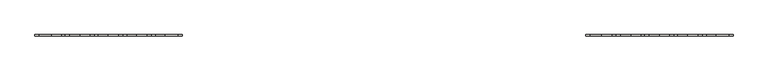
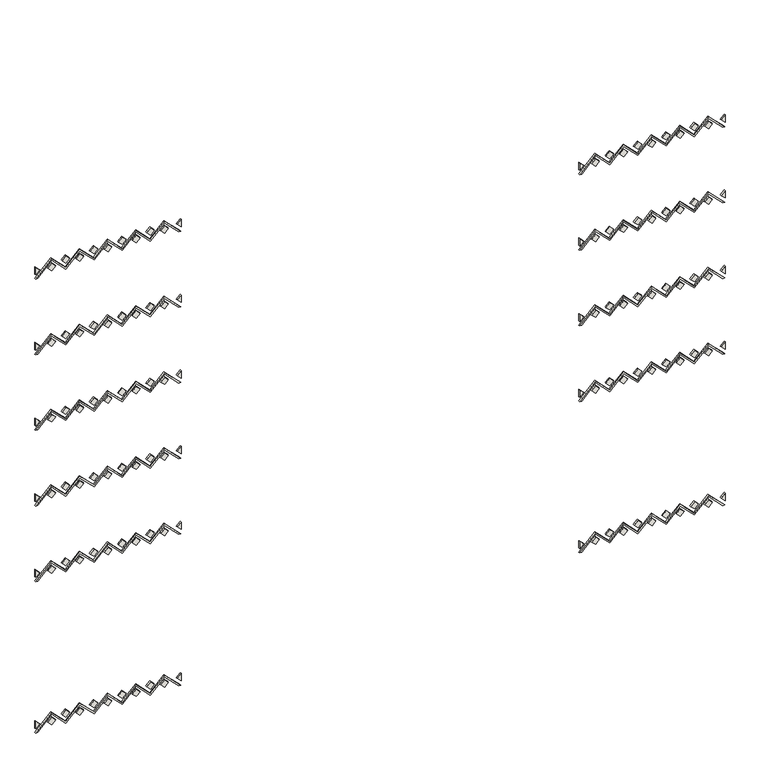
"""IFC4 building model written with IfcOpenShell, lengths in millimetres: wall geometry."""

from ifc_helpers import new_model, si_unit, frame, origin, place, context, project, spatial, polyline, outline, extrude, source, transform, mapped, element, save


def wall_353f4a0d(model_context):
    return source(origin(), model_context, "Body", "SweptSolid", [
        extrude(outline(polyline([(21070.7106781, -10729.2893219), (21600.0, -11258.5786438), (21070.7106781, -11787.8679656), (21600.0, -12317.1572875), (21000.0, -12917.1572875), (21000.0, -12846.4466094), (21529.2893219, -12317.1572875), (21000.0, -11787.8679656), (21529.2893219, -11258.5786438), (21000.0, -10729.2893219), (21529.2893219, -10200.0), (21000.0, -9670.7106781), (21529.2893219, -9141.4213562), (21000.0, -8612.1320344), (21529.2893219, -8082.8427125), (21000.0, -7553.5533906), (21000.0, -7482.8427125), (21600.0, -8082.8427125), (21070.7106781, -8612.1320344), (21600.0, -9141.4213562), (21070.7106781, -9670.7106781), (21600.0, -10200.0), (21070.7106781, -10729.2893219)])), frame((0.0, -13815.7022443, 0.0), z_axis=(0.0, 1.0, 0.0), x_axis=(0.0, 0.0, 1.0)), (0.0, 0.0, 1.0), 50.0),
        extrude(outline(polyline([(0.0, -205.0609665), (0.0, 0.0), (50.0, 0.0), (50.0, -205.0609665), (0.0, -205.0609665)])), frame((-10345.0, -13815.7022443, 21274.2893219), z_axis=(0.7071067811865581, 0.0, 0.707106781186537), x_axis=(0.0, 1.0, 0.0)), (0.0, 0.0, 1.0), 205.0609665),
        extrude(outline(polyline([(0.0, -205.0609665), (0.0, 0.0), (50.0, 0.0), (50.0, -205.0609665), (0.0, -205.0609665)])), frame((-9286.4213562, -13815.7022443, 21274.2893219), z_axis=(0.7071067811865581, 0.0, 0.707106781186537), x_axis=(0.0, 1.0, 0.0)), (0.0, 0.0, 1.0), 205.0609665),
        extrude(outline(polyline([(0.0, -205.0609665), (0.0, 0.0), (50.0, 0.0), (50.0, -205.0609665), (0.0, -205.0609665)])), frame((-8227.8427125, -13815.7022443, 21274.2893219), z_axis=(0.7071067811865581, 0.0, 0.707106781186537), x_axis=(0.0, 1.0, 0.0)), (0.0, 0.0, 1.0), 205.0609665),
        extrude(outline(polyline([(0.0, -205.0609665), (0.0, 0.0), (50.0, 0.0), (50.0, -205.0609665), (0.0, -205.0609665)])), frame((-11403.5786438, -13815.7022443, 21274.2893219), z_axis=(0.7071067811865581, 0.0, 0.707106781186537), x_axis=(0.0, 1.0, 0.0)), (0.0, 0.0, 1.0), 205.0609665),
        extrude(outline(polyline([(0.0, -205.0609665), (0.0, 0.0), (50.0, 0.0), (50.0, -205.0609665), (0.0, -205.0609665)])), frame((-12462.1572875, -13815.7022443, 21274.2893219), z_axis=(0.7071067811865528, 0.0, 0.7071067811865422), x_axis=(0.0, 1.0, 0.0)), (0.0, 0.0, 1.0), 205.0609665),
        extrude(outline(polyline([(0.0, -205.0609665), (0.0, 0.0), (50.0, 0.0), (50.0, -205.0609665), (0.0, -205.0609665)])), frame((-11929.9881598, -13815.7022443, 21384.2893219), z_axis=(0.7071067811865581, 0.0, 0.707106781186537), x_axis=(0.0, 1.0, 0.0)), (0.0, 0.0, 1.0), 205.0609665),
        extrude(outline(polyline([(0.0, -205.0609665), (0.0, 0.0), (50.0, 0.0), (50.0, -205.0609665), (0.0, -205.0609665)])), frame((-10871.409516, -13815.7022443, 21384.2893219), z_axis=(0.7071067811865581, 0.0, 0.707106781186537), x_axis=(0.0, 1.0, 0.0)), (0.0, 0.0, 1.0), 205.0609665),
        extrude(outline(polyline([(0.0, -205.0609665), (0.0, 0.0), (50.0, 0.0), (50.0, -205.0609665), (0.0, -205.0609665)])), frame((-9812.8308723, -13815.7022443, 21384.2893219), z_axis=(0.7071067811865502, 0.0, 0.7071067811865449), x_axis=(0.0, 1.0, 0.0)), (0.0, 0.0, 1.0), 205.0609665),
        extrude(outline(polyline([(0.0, -205.0609665), (0.0, 0.0), (50.0, 0.0), (50.0, -205.0609665), (0.0, -205.0609665)])), frame((-8754.2522285, -13815.7022443, 21384.2893219), z_axis=(0.7071067811865581, 0.0, 0.707106781186537), x_axis=(0.0, 1.0, 0.0)), (0.0, 0.0, 1.0), 205.0609665),
        extrude(outline(polyline([(21313.5786438, -7607.1201941), (21168.5786438, -7462.1201941), (21458.5786438, -7462.1201941), (21313.5786438, -7607.1201941)])), frame((0.0, -13815.7022443, 0.0), z_axis=(0.0, 1.0, 0.0), x_axis=(0.0, 0.0, 1.0)), (0.0, 0.0, 1.0), 50.0),
        extrude(outline(polyline([(21458.5786438, -12914.2774817), (21168.5786438, -12914.2774817), (21313.5786438, -12769.2774817), (21458.5786438, -12914.2774817)])), frame((0.0, -13815.7022443, 0.0), z_axis=(0.0, 1.0, 0.0), x_axis=(0.0, 0.0, 1.0)), (0.0, 0.0, 1.0), 50.0),
        extrude(outline(polyline([(18070.7106781, 9670.7106781), (18600.0, 9141.4213562), (18070.7106781, 8612.1320344), (18600.0, 8082.8427125), (18000.0, 7482.8427125), (18000.0, 7553.5533906), (18529.2893219, 8082.8427125), (18000.0, 8612.1320344), (18529.2893219, 9141.4213562), (18000.0, 9670.7106781), (18529.2893219, 10200.0), (18000.0, 10729.2893219), (18529.2893219, 11258.5786438), (18000.0, 11787.8679656), (18529.2893219, 12317.1572875), (18000.0, 12846.4466094), (18000.0, 12917.1572875), (18600.0, 12317.1572875), (18070.7106781, 11787.8679656), (18600.0, 11258.5786438), (18070.7106781, 10729.2893219), (18600.0, 10200.0), (18070.7106781, 9670.7106781)])), frame((0.0, -13815.7022443, 0.0), z_axis=(0.0, 1.0, 0.0), x_axis=(0.0, 0.0, 1.0)), (0.0, 0.0, 1.0), 50.0),
        extrude(outline(polyline([(0.0, -205.0609665), (0.0, 0.0), (50.0, 0.0), (50.0, -205.0609665), (0.0, -205.0609665)])), frame((10055.0, -13815.7022443, 18274.2893219), z_axis=(0.7071067811865581, 0.0, 0.707106781186537), x_axis=(0.0, 1.0, 0.0)), (0.0, 0.0, 1.0), 205.0609665),
        extrude(outline(polyline([(0.0, -205.0609665), (0.0, 0.0), (50.0, 0.0), (50.0, -205.0609665), (0.0, -205.0609665)])), frame((11113.5786438, -13815.7022443, 18274.2893219), z_axis=(0.7071067811865529, 0.0, 0.7071067811865422), x_axis=(0.0, 1.0, 0.0)), (0.0, 0.0, 1.0), 205.0609665),
        extrude(outline(polyline([(0.0, -205.0609665), (0.0, 0.0), (50.0, 0.0), (50.0, -205.0609665), (0.0, -205.0609665)])), frame((12172.1572875, -13815.7022443, 18274.2893219), z_axis=(0.7071067811865581, 0.0, 0.707106781186537), x_axis=(0.0, 1.0, 0.0)), (0.0, 0.0, 1.0), 205.0609665),
        extrude(outline(polyline([(0.0, -205.0609665), (0.0, 0.0), (50.0, 0.0), (50.0, -205.0609665), (0.0, -205.0609665)])), frame((8996.4213562, -13815.7022443, 18274.2893219), z_axis=(0.7071067811865581, 0.0, 0.707106781186537), x_axis=(0.0, 1.0, 0.0)), (0.0, 0.0, 1.0), 205.0609665),
        extrude(outline(polyline([(0.0, -205.0609665), (0.0, 0.0), (50.0, 0.0), (50.0, -205.0609665), (0.0, -205.0609665)])), frame((7937.8427125, -13815.7022443, 18274.2893219), z_axis=(0.7071067811865529, 0.0, 0.7071067811865422), x_axis=(0.0, 1.0, 0.0)), (0.0, 0.0, 1.0), 205.0609665),
        extrude(outline(polyline([(0.0, -205.0609665), (0.0, 0.0), (50.0, 0.0), (50.0, -205.0609665), (0.0, -205.0609665)])), frame((8470.0118402, -13815.7022443, 18384.2893219), z_axis=(0.7071067811865581, 0.0, 0.707106781186537), x_axis=(0.0, 1.0, 0.0)), (0.0, 0.0, 1.0), 205.0609665),
        extrude(outline(polyline([(0.0, -205.0609665), (0.0, 0.0), (50.0, 0.0), (50.0, -205.0609665), (0.0, -205.0609665)])), frame((9528.590484, -13815.7022443, 18384.2893219), z_axis=(0.7071067811865581, 0.0, 0.707106781186537), x_axis=(0.0, 1.0, 0.0)), (0.0, 0.0, 1.0), 205.0609665),
        extrude(outline(polyline([(0.0, -205.0609665), (0.0, 0.0), (50.0, 0.0), (50.0, -205.0609665), (0.0, -205.0609665)])), frame((10587.1691277, -13815.7022443, 18384.2893219), z_axis=(0.7071067811865529, 0.0, 0.7071067811865422), x_axis=(0.0, 1.0, 0.0)), (0.0, 0.0, 1.0), 205.0609665),
        extrude(outline(polyline([(0.0, -205.0609665), (0.0, 0.0), (50.0, 0.0), (50.0, -205.0609665), (0.0, -205.0609665)])), frame((11645.7477715, -13815.7022443, 18384.2893219), z_axis=(0.7071067811865581, 0.0, 0.707106781186537), x_axis=(0.0, 1.0, 0.0)), (0.0, 0.0, 1.0), 205.0609665),
        extrude(outline(polyline([(18313.5786438, 12792.8798059), (18168.5786438, 12937.8798059), (18458.5786438, 12937.8798059), (18313.5786438, 12792.8798059)])), frame((0.0, -13815.7022443, 0.0), z_axis=(0.0, 1.0, 0.0), x_axis=(0.0, 0.0, 1.0)), (0.0, 0.0, 1.0), 50.0),
        extrude(outline(polyline([(18458.5786438, 7485.7225183), (18168.5786438, 7485.7225183), (18313.5786438, 7630.7225183), (18458.5786438, 7485.7225183)])), frame((0.0, -13815.7022443, 0.0), z_axis=(0.0, 1.0, 0.0), x_axis=(0.0, 0.0, 1.0)), (0.0, 0.0, 1.0), 50.0),
        extrude(outline(polyline([(18070.7106781, -10729.2893219), (18600.0, -11258.5786438), (18070.7106781, -11787.8679656), (18600.0, -12317.1572875), (18000.0, -12917.1572875), (18000.0, -12846.4466094), (18529.2893219, -12317.1572875), (18000.0, -11787.8679656), (18529.2893219, -11258.5786438), (18000.0, -10729.2893219), (18529.2893219, -10200.0), (18000.0, -9670.7106781), (18529.2893219, -9141.4213562), (18000.0, -8612.1320344), (18529.2893219, -8082.8427125), (18000.0, -7553.5533906), (18000.0, -7482.8427125), (18600.0, -8082.8427125), (18070.7106781, -8612.1320344), (18600.0, -9141.4213562), (18070.7106781, -9670.7106781), (18600.0, -10200.0), (18070.7106781, -10729.2893219)])), frame((0.0, -13815.7022443, 0.0), z_axis=(0.0, 1.0, 0.0), x_axis=(0.0, 0.0, 1.0)), (0.0, 0.0, 1.0), 50.0),
        extrude(outline(polyline([(0.0, -205.0609665), (0.0, 0.0), (50.0, 0.0), (50.0, -205.0609665), (0.0, -205.0609665)])), frame((-10345.0, -13815.7022443, 18274.2893219), z_axis=(0.7071067811865529, 0.0, 0.7071067811865422), x_axis=(0.0, 1.0, 0.0)), (0.0, 0.0, 1.0), 205.0609665),
        extrude(outline(polyline([(0.0, -205.0609665), (0.0, 0.0), (50.0, 0.0), (50.0, -205.0609665), (0.0, -205.0609665)])), frame((-9286.4213562, -13815.7022443, 18274.2893219), z_axis=(0.7071067811865581, 0.0, 0.707106781186537), x_axis=(0.0, 1.0, 0.0)), (0.0, 0.0, 1.0), 205.0609665),
        extrude(outline(polyline([(0.0, -205.0609665), (0.0, 0.0), (50.0, 0.0), (50.0, -205.0609665), (0.0, -205.0609665)])), frame((-8227.8427125, -13815.7022443, 18274.2893219), z_axis=(0.7071067811865581, 0.0, 0.707106781186537), x_axis=(0.0, 1.0, 0.0)), (0.0, 0.0, 1.0), 205.0609665),
        extrude(outline(polyline([(0.0, -205.0609665), (0.0, 0.0), (50.0, 0.0), (50.0, -205.0609665), (0.0, -205.0609665)])), frame((-11403.5786438, -13815.7022443, 18274.2893219), z_axis=(0.7071067811865581, 0.0, 0.707106781186537), x_axis=(0.0, 1.0, 0.0)), (0.0, 0.0, 1.0), 205.0609665),
        extrude(outline(polyline([(0.0, -205.0609665), (0.0, 0.0), (50.0, 0.0), (50.0, -205.0609665), (0.0, -205.0609665)])), frame((-12462.1572875, -13815.7022443, 18274.2893219), z_axis=(0.7071067811865581, 0.0, 0.707106781186537), x_axis=(0.0, 1.0, 0.0)), (0.0, 0.0, 1.0), 205.0609665),
        extrude(outline(polyline([(0.0, -205.0609665), (0.0, 0.0), (50.0, 0.0), (50.0, -205.0609665), (0.0, -205.0609665)])), frame((-11929.9881598, -13815.7022443, 18384.2893219), z_axis=(0.7071067811865581, 0.0, 0.707106781186537), x_axis=(0.0, 1.0, 0.0)), (0.0, 0.0, 1.0), 205.0609665),
        extrude(outline(polyline([(0.0, -205.0609665), (0.0, 0.0), (50.0, 0.0), (50.0, -205.0609665), (0.0, -205.0609665)])), frame((-10871.409516, -13815.7022443, 18384.2893219), z_axis=(0.7071067811865529, 0.0, 0.7071067811865422), x_axis=(0.0, 1.0, 0.0)), (0.0, 0.0, 1.0), 205.0609665),
        extrude(outline(polyline([(0.0, -205.0609665), (0.0, 0.0), (50.0, 0.0), (50.0, -205.0609665), (0.0, -205.0609665)])), frame((-9812.8308723, -13815.7022443, 18384.2893219), z_axis=(0.7071067811865555, 0.0, 0.7071067811865397), x_axis=(0.0, 1.0, 0.0)), (0.0, 0.0, 1.0), 205.0609665),
        extrude(outline(polyline([(0.0, -205.0609665), (0.0, 0.0), (50.0, 0.0), (50.0, -205.0609665), (0.0, -205.0609665)])), frame((-8754.2522285, -13815.7022443, 18384.2893219), z_axis=(0.7071067811865581, 0.0, 0.707106781186537), x_axis=(0.0, 1.0, 0.0)), (0.0, 0.0, 1.0), 205.0609665),
        extrude(outline(polyline([(18313.5786438, -7607.1201941), (18168.5786438, -7462.1201941), (18458.5786438, -7462.1201941), (18313.5786438, -7607.1201941)])), frame((0.0, -13815.7022443, 0.0), z_axis=(0.0, 1.0, 0.0), x_axis=(0.0, 0.0, 1.0)), (0.0, 0.0, 1.0), 50.0),
        extrude(outline(polyline([(18458.5786438, -12914.2774817), (18168.5786438, -12914.2774817), (18313.5786438, -12769.2774817), (18458.5786438, -12914.2774817)])), frame((0.0, -13815.7022443, 0.0), z_axis=(0.0, 1.0, 0.0), x_axis=(0.0, 0.0, 1.0)), (0.0, 0.0, 1.0), 50.0),
        extrude(outline(polyline([(15070.7106781, 9670.7106781), (15600.0, 9141.4213562), (15070.7106781, 8612.1320344), (15600.0, 8082.8427125), (15000.0, 7482.8427125), (15000.0, 7553.5533906), (15529.2893219, 8082.8427125), (15000.0, 8612.1320344), (15529.2893219, 9141.4213562), (15000.0, 9670.7106781), (15529.2893219, 10200.0), (15000.0, 10729.2893219), (15529.2893219, 11258.5786438), (15000.0, 11787.8679656), (15529.2893219, 12317.1572875), (15000.0, 12846.4466094), (15000.0, 12917.1572875), (15600.0, 12317.1572875), (15070.7106781, 11787.8679656), (15600.0, 11258.5786438), (15070.7106781, 10729.2893219), (15600.0, 10200.0), (15070.7106781, 9670.7106781)])), frame((0.0, -13815.7022443, 0.0), z_axis=(0.0, 1.0, 0.0), x_axis=(0.0, 0.0, 1.0)), (0.0, 0.0, 1.0), 50.0),
        extrude(outline(polyline([(0.0, -205.0609665), (0.0, 0.0), (50.0, 0.0), (50.0, -205.0609665), (0.0, -205.0609665)])), frame((10055.0, -13815.7022443, 15274.2893219), z_axis=(0.7071067811865581, 0.0, 0.707106781186537), x_axis=(0.0, 1.0, 0.0)), (0.0, 0.0, 1.0), 205.0609665),
        extrude(outline(polyline([(0.0, -205.0609665), (0.0, 0.0), (50.0, 0.0), (50.0, -205.0609665), (0.0, -205.0609665)])), frame((11113.5786438, -13815.7022443, 15274.2893219), z_axis=(0.7071067811865581, 0.0, 0.707106781186537), x_axis=(0.0, 1.0, 0.0)), (0.0, 0.0, 1.0), 205.0609665),
        extrude(outline(polyline([(0.0, -205.0609665), (0.0, 0.0), (50.0, 0.0), (50.0, -205.0609665), (0.0, -205.0609665)])), frame((12172.1572875, -13815.7022443, 15274.2893219), z_axis=(0.7071067811865581, 0.0, 0.707106781186537), x_axis=(0.0, 1.0, 0.0)), (0.0, 0.0, 1.0), 205.0609665),
        extrude(outline(polyline([(0.0, -205.0609665), (0.0, 0.0), (50.0, 0.0), (50.0, -205.0609665), (0.0, -205.0609665)])), frame((8996.4213562, -13815.7022443, 15274.2893219), z_axis=(0.7071067811865581, 0.0, 0.707106781186537), x_axis=(0.0, 1.0, 0.0)), (0.0, 0.0, 1.0), 205.0609665),
        extrude(outline(polyline([(0.0, -205.0609665), (0.0, 0.0), (50.0, 0.0), (50.0, -205.0609665), (0.0, -205.0609665)])), frame((7937.8427125, -13815.7022443, 15274.2893219), z_axis=(0.7071067811865581, 0.0, 0.707106781186537), x_axis=(0.0, 1.0, 0.0)), (0.0, 0.0, 1.0), 205.0609665),
        extrude(outline(polyline([(0.0, -205.0609665), (0.0, 0.0), (50.0, 0.0), (50.0, -205.0609665), (0.0, -205.0609665)])), frame((8470.0118402, -13815.7022443, 15384.2893219), z_axis=(0.7071067811865529, 0.0, 0.7071067811865422), x_axis=(0.0, 1.0, 0.0)), (0.0, 0.0, 1.0), 205.0609665),
        extrude(outline(polyline([(0.0, -205.0609665), (0.0, 0.0), (50.0, 0.0), (50.0, -205.0609665), (0.0, -205.0609665)])), frame((9528.590484, -13815.7022443, 15384.2893219), z_axis=(0.7071067811865581, 0.0, 0.707106781186537), x_axis=(0.0, 1.0, 0.0)), (0.0, 0.0, 1.0), 205.0609665),
        extrude(outline(polyline([(0.0, -205.0609665), (0.0, 0.0), (50.0, 0.0), (50.0, -205.0609665), (0.0, -205.0609665)])), frame((10587.1691277, -13815.7022443, 15384.2893219), z_axis=(0.7071067811865581, 0.0, 0.707106781186537), x_axis=(0.0, 1.0, 0.0)), (0.0, 0.0, 1.0), 205.0609665),
        extrude(outline(polyline([(0.0, -205.0609665), (0.0, 0.0), (50.0, 0.0), (50.0, -205.0609665), (0.0, -205.0609665)])), frame((11645.7477715, -13815.7022443, 15384.2893219), z_axis=(0.7071067811865581, 0.0, 0.707106781186537), x_axis=(0.0, 1.0, 0.0)), (0.0, 0.0, 1.0), 205.0609665),
        extrude(outline(polyline([(15313.5786438, 12792.8798059), (15168.5786438, 12937.8798059), (15458.5786438, 12937.8798059), (15313.5786438, 12792.8798059)])), frame((0.0, -13815.7022443, 0.0), z_axis=(0.0, 1.0, 0.0), x_axis=(0.0, 0.0, 1.0)), (0.0, 0.0, 1.0), 50.0),
        extrude(outline(polyline([(15458.5786438, 7485.7225183), (15168.5786438, 7485.7225183), (15313.5786438, 7630.7225183), (15458.5786438, 7485.7225183)])), frame((0.0, -13815.7022443, 0.0), z_axis=(0.0, 1.0, 0.0), x_axis=(0.0, 0.0, 1.0)), (0.0, 0.0, 1.0), 50.0),
        extrude(outline(polyline([(15070.7106781, -10729.2893219), (15600.0, -11258.5786438), (15070.7106781, -11787.8679656), (15600.0, -12317.1572875), (15000.0, -12917.1572875), (15000.0, -12846.4466094), (15529.2893219, -12317.1572875), (15000.0, -11787.8679656), (15529.2893219, -11258.5786438), (15000.0, -10729.2893219), (15529.2893219, -10200.0), (15000.0, -9670.7106781), (15529.2893219, -9141.4213562), (15000.0, -8612.1320344), (15529.2893219, -8082.8427125), (15000.0, -7553.5533906), (15000.0, -7482.8427125), (15600.0, -8082.8427125), (15070.7106781, -8612.1320344), (15600.0, -9141.4213562), (15070.7106781, -9670.7106781), (15600.0, -10200.0), (15070.7106781, -10729.2893219)])), frame((0.0, -13815.7022443, 0.0), z_axis=(0.0, 1.0, 0.0), x_axis=(0.0, 0.0, 1.0)), (0.0, 0.0, 1.0), 50.0),
        extrude(outline(polyline([(0.0, -205.0609665), (0.0, 0.0), (50.0, 0.0), (50.0, -205.0609665), (0.0, -205.0609665)])), frame((-10345.0, -13815.7022443, 15274.2893219), z_axis=(0.7071067811865581, 0.0, 0.707106781186537), x_axis=(0.0, 1.0, 0.0)), (0.0, 0.0, 1.0), 205.0609665),
        extrude(outline(polyline([(0.0, -205.0609665), (0.0, 0.0), (50.0, 0.0), (50.0, -205.0609665), (0.0, -205.0609665)])), frame((-9286.4213562, -13815.7022443, 15274.2893219), z_axis=(0.7071067811865581, 0.0, 0.707106781186537), x_axis=(0.0, 1.0, 0.0)), (0.0, 0.0, 1.0), 205.0609665),
        extrude(outline(polyline([(0.0, -205.0609665), (0.0, 0.0), (50.0, 0.0), (50.0, -205.0609665), (0.0, -205.0609665)])), frame((-8227.8427125, -13815.7022443, 15274.2893219), z_axis=(0.7071067811865529, 0.0, 0.7071067811865422), x_axis=(0.0, 1.0, 0.0)), (0.0, 0.0, 1.0), 205.0609665),
        extrude(outline(polyline([(0.0, -205.0609665), (0.0, 0.0), (50.0, 0.0), (50.0, -205.0609665), (0.0, -205.0609665)])), frame((-11403.5786438, -13815.7022443, 15274.2893219), z_axis=(0.7071067811865529, 0.0, 0.7071067811865422), x_axis=(0.0, 1.0, 0.0)), (0.0, 0.0, 1.0), 205.0609665),
        extrude(outline(polyline([(0.0, -205.0609665), (0.0, 0.0), (50.0, 0.0), (50.0, -205.0609665), (0.0, -205.0609665)])), frame((-12462.1572875, -13815.7022443, 15274.2893219), z_axis=(0.7071067811865581, 0.0, 0.707106781186537), x_axis=(0.0, 1.0, 0.0)), (0.0, 0.0, 1.0), 205.0609665),
        extrude(outline(polyline([(0.0, -205.0609665), (0.0, 0.0), (50.0, 0.0), (50.0, -205.0609665), (0.0, -205.0609665)])), frame((-11929.9881598, -13815.7022443, 15384.2893219), z_axis=(0.7071067811865581, 0.0, 0.707106781186537), x_axis=(0.0, 1.0, 0.0)), (0.0, 0.0, 1.0), 205.0609665),
        extrude(outline(polyline([(0.0, -205.0609665), (0.0, 0.0), (50.0, 0.0), (50.0, -205.0609665), (0.0, -205.0609665)])), frame((-10871.409516, -13815.7022443, 15384.2893219), z_axis=(0.7071067811865581, 0.0, 0.707106781186537), x_axis=(0.0, 1.0, 0.0)), (0.0, 0.0, 1.0), 205.0609665),
        extrude(outline(polyline([(0.0, -205.0609665), (0.0, 0.0), (50.0, 0.0), (50.0, -205.0609665), (0.0, -205.0609665)])), frame((-9812.8308723, -13815.7022443, 15384.2893219), z_axis=(0.7071067811865555, 0.0, 0.7071067811865397), x_axis=(0.0, 1.0, 0.0)), (0.0, 0.0, 1.0), 205.0609665),
        extrude(outline(polyline([(0.0, -205.0609665), (0.0, 0.0), (50.0, 0.0), (50.0, -205.0609665), (0.0, -205.0609665)])), frame((-8754.2522285, -13815.7022443, 15384.2893219), z_axis=(0.7071067811865581, 0.0, 0.707106781186537), x_axis=(0.0, 1.0, 0.0)), (0.0, 0.0, 1.0), 205.0609665),
        extrude(outline(polyline([(15313.5786438, -7607.1201941), (15168.5786438, -7462.1201941), (15458.5786438, -7462.1201941), (15313.5786438, -7607.1201941)])), frame((0.0, -13815.7022443, 0.0), z_axis=(0.0, 1.0, 0.0), x_axis=(0.0, 0.0, 1.0)), (0.0, 0.0, 1.0), 50.0),
        extrude(outline(polyline([(15458.5786438, -12914.2774817), (15168.5786438, -12914.2774817), (15313.5786438, -12769.2774817), (15458.5786438, -12914.2774817)])), frame((0.0, -13815.7022443, 0.0), z_axis=(0.0, 1.0, 0.0), x_axis=(0.0, 0.0, 1.0)), (0.0, 0.0, 1.0), 50.0),
        extrude(outline(polyline([(12070.7106781, 9670.7106781), (12600.0, 9141.4213562), (12070.7106781, 8612.1320344), (12600.0, 8082.8427125), (12000.0, 7482.8427125), (12000.0, 7553.5533906), (12529.2893219, 8082.8427125), (12000.0, 8612.1320344), (12529.2893219, 9141.4213562), (12000.0, 9670.7106781), (12529.2893219, 10200.0), (12000.0, 10729.2893219), (12529.2893219, 11258.5786438), (12000.0, 11787.8679656), (12529.2893219, 12317.1572875), (12000.0, 12846.4466094), (12000.0, 12917.1572875), (12600.0, 12317.1572875), (12070.7106781, 11787.8679656), (12600.0, 11258.5786438), (12070.7106781, 10729.2893219), (12600.0, 10200.0), (12070.7106781, 9670.7106781)])), frame((0.0, -13815.7022443, 0.0), z_axis=(0.0, 1.0, 0.0), x_axis=(0.0, 0.0, 1.0)), (0.0, 0.0, 1.0), 50.0),
        extrude(outline(polyline([(0.0, -205.0609665), (0.0, 0.0), (50.0, 0.0), (50.0, -205.0609665), (0.0, -205.0609665)])), frame((10055.0, -13815.7022443, 12274.2893219), z_axis=(0.7071067811865581, 0.0, 0.707106781186537), x_axis=(0.0, 1.0, 0.0)), (0.0, 0.0, 1.0), 205.0609665),
        extrude(outline(polyline([(0.0, -205.0609665), (0.0, 0.0), (50.0, 0.0), (50.0, -205.0609665), (0.0, -205.0609665)])), frame((11113.5786438, -13815.7022443, 12274.2893219), z_axis=(0.7071067811865581, 0.0, 0.707106781186537), x_axis=(0.0, 1.0, 0.0)), (0.0, 0.0, 1.0), 205.0609665),
        extrude(outline(polyline([(0.0, -205.0609665), (0.0, 0.0), (50.0, 0.0), (50.0, -205.0609665), (0.0, -205.0609665)])), frame((12172.1572875, -13815.7022443, 12274.2893219), z_axis=(0.7071067811865581, 0.0, 0.707106781186537), x_axis=(0.0, 1.0, 0.0)), (0.0, 0.0, 1.0), 205.0609665),
        extrude(outline(polyline([(0.0, -205.0609665), (0.0, 0.0), (50.0, 0.0), (50.0, -205.0609665), (0.0, -205.0609665)])), frame((8996.4213562, -13815.7022443, 12274.2893219), z_axis=(0.7071067811865581, 0.0, 0.707106781186537), x_axis=(0.0, 1.0, 0.0)), (0.0, 0.0, 1.0), 205.0609665),
        extrude(outline(polyline([(0.0, -205.0609665), (0.0, 0.0), (50.0, 0.0), (50.0, -205.0609665), (0.0, -205.0609665)])), frame((7937.8427125, -13815.7022443, 12274.2893219), z_axis=(0.7071067811865581, 0.0, 0.707106781186537), x_axis=(0.0, 1.0, 0.0)), (0.0, 0.0, 1.0), 205.0609665),
        extrude(outline(polyline([(0.0, -205.0609665), (0.0, 0.0), (50.0, 0.0), (50.0, -205.0609665), (0.0, -205.0609665)])), frame((8470.0118402, -13815.7022443, 12384.2893219), z_axis=(0.7071067811865529, 0.0, 0.7071067811865422), x_axis=(0.0, 1.0, 0.0)), (0.0, 0.0, 1.0), 205.0609665),
        extrude(outline(polyline([(0.0, -205.0609665), (0.0, 0.0), (50.0, 0.0), (50.0, -205.0609665), (0.0, -205.0609665)])), frame((9528.590484, -13815.7022443, 12384.2893219), z_axis=(0.7071067811865581, 0.0, 0.707106781186537), x_axis=(0.0, 1.0, 0.0)), (0.0, 0.0, 1.0), 205.0609665),
        extrude(outline(polyline([(0.0, -205.0609665), (0.0, 0.0), (50.0, 0.0), (50.0, -205.0609665), (0.0, -205.0609665)])), frame((10587.1691277, -13815.7022443, 12384.2893219), z_axis=(0.7071067811865581, 0.0, 0.707106781186537), x_axis=(0.0, 1.0, 0.0)), (0.0, 0.0, 1.0), 205.0609665),
        extrude(outline(polyline([(0.0, -205.0609665), (0.0, 0.0), (50.0, 0.0), (50.0, -205.0609665), (0.0, -205.0609665)])), frame((11645.7477715, -13815.7022443, 12384.2893219), z_axis=(0.7071067811865581, 0.0, 0.707106781186537), x_axis=(0.0, 1.0, 0.0)), (0.0, 0.0, 1.0), 205.0609665),
        extrude(outline(polyline([(12313.5786438, 12792.8798059), (12168.5786438, 12937.8798059), (12458.5786438, 12937.8798059), (12313.5786438, 12792.8798059)])), frame((0.0, -13815.7022443, 0.0), z_axis=(0.0, 1.0, 0.0), x_axis=(0.0, 0.0, 1.0)), (0.0, 0.0, 1.0), 50.0),
        extrude(outline(polyline([(12458.5786438, 7485.7225183), (12168.5786438, 7485.7225183), (12313.5786438, 7630.7225183), (12458.5786438, 7485.7225183)])), frame((0.0, -13815.7022443, 0.0), z_axis=(0.0, 1.0, 0.0), x_axis=(0.0, 0.0, 1.0)), (0.0, 0.0, 1.0), 50.0),
        extrude(outline(polyline([(12070.7106781, -10729.2893219), (12600.0, -11258.5786438), (12070.7106781, -11787.8679656), (12600.0, -12317.1572875), (12000.0, -12917.1572875), (12000.0, -12846.4466094), (12529.2893219, -12317.1572875), (12000.0, -11787.8679656), (12529.2893219, -11258.5786438), (12000.0, -10729.2893219), (12529.2893219, -10200.0), (12000.0, -9670.7106781), (12529.2893219, -9141.4213562), (12000.0, -8612.1320344), (12529.2893219, -8082.8427125), (12000.0, -7553.5533906), (12000.0, -7482.8427125), (12600.0, -8082.8427125), (12070.7106781, -8612.1320344), (12600.0, -9141.4213562), (12070.7106781, -9670.7106781), (12600.0, -10200.0), (12070.7106781, -10729.2893219)])), frame((0.0, -13815.7022443, 0.0), z_axis=(0.0, 1.0, 0.0), x_axis=(0.0, 0.0, 1.0)), (0.0, 0.0, 1.0), 50.0),
        extrude(outline(polyline([(0.0, -205.0609665), (0.0, 0.0), (50.0, 0.0), (50.0, -205.0609665), (0.0, -205.0609665)])), frame((-10345.0, -13815.7022443, 12274.2893219), z_axis=(0.7071067811865581, 0.0, 0.707106781186537), x_axis=(0.0, 1.0, 0.0)), (0.0, 0.0, 1.0), 205.0609665),
        extrude(outline(polyline([(0.0, -205.0609665), (0.0, 0.0), (50.0, 0.0), (50.0, -205.0609665), (0.0, -205.0609665)])), frame((-9286.4213562, -13815.7022443, 12274.2893219), z_axis=(0.7071067811865581, 0.0, 0.707106781186537), x_axis=(0.0, 1.0, 0.0)), (0.0, 0.0, 1.0), 205.0609665),
        extrude(outline(polyline([(0.0, -205.0609665), (0.0, 0.0), (50.0, 0.0), (50.0, -205.0609665), (0.0, -205.0609665)])), frame((-8227.8427125, -13815.7022443, 12274.2893219), z_axis=(0.7071067811865529, 0.0, 0.7071067811865422), x_axis=(0.0, 1.0, 0.0)), (0.0, 0.0, 1.0), 205.0609665),
        extrude(outline(polyline([(0.0, -205.0609665), (0.0, 0.0), (50.0, 0.0), (50.0, -205.0609665), (0.0, -205.0609665)])), frame((-11403.5786438, -13815.7022443, 12274.2893219), z_axis=(0.7071067811865529, 0.0, 0.7071067811865422), x_axis=(0.0, 1.0, 0.0)), (0.0, 0.0, 1.0), 205.0609665),
        extrude(outline(polyline([(0.0, -205.0609665), (0.0, 0.0), (50.0, 0.0), (50.0, -205.0609665), (0.0, -205.0609665)])), frame((-12462.1572875, -13815.7022443, 12274.2893219), z_axis=(0.7071067811865581, 0.0, 0.707106781186537), x_axis=(0.0, 1.0, 0.0)), (0.0, 0.0, 1.0), 205.0609665),
        extrude(outline(polyline([(0.0, -205.0609665), (0.0, 0.0), (50.0, 0.0), (50.0, -205.0609665), (0.0, -205.0609665)])), frame((-11929.9881598, -13815.7022443, 12384.2893219), z_axis=(0.7071067811865581, 0.0, 0.707106781186537), x_axis=(0.0, 1.0, 0.0)), (0.0, 0.0, 1.0), 205.0609665),
        extrude(outline(polyline([(0.0, -205.0609665), (0.0, 0.0), (50.0, 0.0), (50.0, -205.0609665), (0.0, -205.0609665)])), frame((-10871.409516, -13815.7022443, 12384.2893219), z_axis=(0.7071067811865581, 0.0, 0.707106781186537), x_axis=(0.0, 1.0, 0.0)), (0.0, 0.0, 1.0), 205.0609665),
        extrude(outline(polyline([(0.0, -205.0609665), (0.0, 0.0), (50.0, 0.0), (50.0, -205.0609665), (0.0, -205.0609665)])), frame((-9812.8308723, -13815.7022443, 12384.2893219), z_axis=(0.7071067811865555, 0.0, 0.7071067811865397), x_axis=(0.0, 1.0, 0.0)), (0.0, 0.0, 1.0), 205.0609665),
        extrude(outline(polyline([(0.0, -205.0609665), (0.0, 0.0), (50.0, 0.0), (50.0, -205.0609665), (0.0, -205.0609665)])), frame((-8754.2522285, -13815.7022443, 12384.2893219), z_axis=(0.7071067811865581, 0.0, 0.707106781186537), x_axis=(0.0, 1.0, 0.0)), (0.0, 0.0, 1.0), 205.0609665),
        extrude(outline(polyline([(12313.5786438, -7607.1201941), (12168.5786438, -7462.1201941), (12458.5786438, -7462.1201941), (12313.5786438, -7607.1201941)])), frame((0.0, -13815.7022443, 0.0), z_axis=(0.0, 1.0, 0.0), x_axis=(0.0, 0.0, 1.0)), (0.0, 0.0, 1.0), 50.0),
        extrude(outline(polyline([(12458.5786438, -12914.2774817), (12168.5786438, -12914.2774817), (12313.5786438, -12769.2774817), (12458.5786438, -12914.2774817)])), frame((0.0, -13815.7022443, 0.0), z_axis=(0.0, 1.0, 0.0), x_axis=(0.0, 0.0, 1.0)), (0.0, 0.0, 1.0), 50.0),
        extrude(outline(polyline([(9070.7106781, 9670.7106781), (9600.0, 9141.4213562), (9070.7106781, 8612.1320344), (9600.0, 8082.8427125), (9000.0, 7482.8427125), (9000.0, 7553.5533906), (9529.2893219, 8082.8427125), (9000.0, 8612.1320344), (9529.2893219, 9141.4213562), (9000.0, 9670.7106781), (9529.2893219, 10200.0), (9000.0, 10729.2893219), (9529.2893219, 11258.5786438), (9000.0, 11787.8679656), (9529.2893219, 12317.1572875), (9000.0, 12846.4466094), (9000.0, 12917.1572875), (9600.0, 12317.1572875), (9070.7106781, 11787.8679656), (9600.0, 11258.5786438), (9070.7106781, 10729.2893219), (9600.0, 10200.0), (9070.7106781, 9670.7106781)])), frame((0.0, -13815.7022443, 0.0), z_axis=(0.0, 1.0, 0.0), x_axis=(0.0, 0.0, 1.0)), (0.0, 0.0, 1.0), 50.0),
        extrude(outline(polyline([(0.0, -205.0609665), (0.0, 0.0), (50.0, 0.0), (50.0, -205.0609665), (0.0, -205.0609665)])), frame((10055.0, -13815.7022443, 9274.2893219), z_axis=(0.7071067811865581, 0.0, 0.707106781186537), x_axis=(0.0, 1.0, 0.0)), (0.0, 0.0, 1.0), 205.0609665),
        extrude(outline(polyline([(0.0, -205.0609665), (0.0, 0.0), (50.0, 0.0), (50.0, -205.0609665), (0.0, -205.0609665)])), frame((11113.5786438, -13815.7022443, 9274.2893219), z_axis=(0.7071067811865555, 0.0, 0.7071067811865396), x_axis=(0.0, 1.0, 0.0)), (0.0, 0.0, 1.0), 205.0609665),
        extrude(outline(polyline([(0.0, -205.0609665), (0.0, 0.0), (50.0, 0.0), (50.0, -205.0609665), (0.0, -205.0609665)])), frame((12172.1572875, -13815.7022443, 9274.2893219), z_axis=(0.7071067811865581, 0.0, 0.707106781186537), x_axis=(0.0, 1.0, 0.0)), (0.0, 0.0, 1.0), 205.0609665),
        extrude(outline(polyline([(0.0, -205.0609665), (0.0, 0.0), (50.0, 0.0), (50.0, -205.0609665), (0.0, -205.0609665)])), frame((8996.4213562, -13815.7022443, 9274.2893219), z_axis=(0.7071067811865581, 0.0, 0.707106781186537), x_axis=(0.0, 1.0, 0.0)), (0.0, 0.0, 1.0), 205.0609665),
        extrude(outline(polyline([(0.0, -205.0609665), (0.0, 0.0), (50.0, 0.0), (50.0, -205.0609665), (0.0, -205.0609665)])), frame((7937.8427125, -13815.7022443, 9274.2893219), z_axis=(0.7071067811865555, 0.0, 0.7071067811865396), x_axis=(0.0, 1.0, 0.0)), (0.0, 0.0, 1.0), 205.0609665),
        extrude(outline(polyline([(0.0, -205.0609665), (0.0, 0.0), (50.0, 0.0), (50.0, -205.0609665), (0.0, -205.0609665)])), frame((8470.0118402, -13815.7022443, 9384.2893219), z_axis=(0.7071067811865555, 0.0, 0.7071067811865396), x_axis=(0.0, 1.0, 0.0)), (0.0, 0.0, 1.0), 205.0609665),
        extrude(outline(polyline([(0.0, -205.0609665), (0.0, 0.0), (50.0, 0.0), (50.0, -205.0609665), (0.0, -205.0609665)])), frame((9528.590484, -13815.7022443, 9384.2893219), z_axis=(0.7071067811865581, 0.0, 0.707106781186537), x_axis=(0.0, 1.0, 0.0)), (0.0, 0.0, 1.0), 205.0609665),
        extrude(outline(polyline([(0.0, -205.0609665), (0.0, 0.0), (50.0, 0.0), (50.0, -205.0609665), (0.0, -205.0609665)])), frame((10587.1691277, -13815.7022443, 9384.2893219), z_axis=(0.7071067811865555, 0.0, 0.7071067811865396), x_axis=(0.0, 1.0, 0.0)), (0.0, 0.0, 1.0), 205.0609665),
        extrude(outline(polyline([(0.0, -205.0609665), (0.0, 0.0), (50.0, 0.0), (50.0, -205.0609665), (0.0, -205.0609665)])), frame((11645.7477715, -13815.7022443, 9384.2893219), z_axis=(0.7071067811865581, 0.0, 0.707106781186537), x_axis=(0.0, 1.0, 0.0)), (0.0, 0.0, 1.0), 205.0609665),
        extrude(outline(polyline([(9313.5786438, 12792.8798059), (9168.5786438, 12937.8798059), (9458.5786438, 12937.8798059), (9313.5786438, 12792.8798059)])), frame((0.0, -13815.7022443, 0.0), z_axis=(0.0, 1.0, 0.0), x_axis=(0.0, 0.0, 1.0)), (0.0, 0.0, 1.0), 50.0),
        extrude(outline(polyline([(9458.5786438, 7485.7225183), (9168.5786438, 7485.7225183), (9313.5786438, 7630.7225183), (9458.5786438, 7485.7225183)])), frame((0.0, -13815.7022443, 0.0), z_axis=(0.0, 1.0, 0.0), x_axis=(0.0, 0.0, 1.0)), (0.0, 0.0, 1.0), 50.0),
        extrude(outline(polyline([(9070.7106781, -10729.2893219), (9600.0, -11258.5786438), (9070.7106781, -11787.8679656), (9600.0, -12317.1572875), (9000.0, -12917.1572875), (9000.0, -12846.4466094), (9529.2893219, -12317.1572875), (9000.0, -11787.8679656), (9529.2893219, -11258.5786438), (9000.0, -10729.2893219), (9529.2893219, -10200.0), (9000.0, -9670.7106781), (9529.2893219, -9141.4213562), (9000.0, -8612.1320344), (9529.2893219, -8082.8427125), (9000.0, -7553.5533906), (9000.0, -7482.8427125), (9600.0, -8082.8427125), (9070.7106781, -8612.1320344), (9600.0, -9141.4213562), (9070.7106781, -9670.7106781), (9600.0, -10200.0), (9070.7106781, -10729.2893219)])), frame((0.0, -13815.7022443, 0.0), z_axis=(0.0, 1.0, 0.0), x_axis=(0.0, 0.0, 1.0)), (0.0, 0.0, 1.0), 50.0),
        extrude(outline(polyline([(0.0, -205.0609665), (0.0, 0.0), (50.0, 0.0), (50.0, -205.0609665), (0.0, -205.0609665)])), frame((-10345.0, -13815.7022443, 9274.2893219), z_axis=(0.7071067811865555, 0.0, 0.7071067811865396), x_axis=(0.0, 1.0, 0.0)), (0.0, 0.0, 1.0), 205.0609665),
        extrude(outline(polyline([(0.0, -205.0609665), (0.0, 0.0), (50.0, 0.0), (50.0, -205.0609665), (0.0, -205.0609665)])), frame((-9286.4213562, -13815.7022443, 9274.2893219), z_axis=(0.7071067811865581, 0.0, 0.707106781186537), x_axis=(0.0, 1.0, 0.0)), (0.0, 0.0, 1.0), 205.0609665),
        extrude(outline(polyline([(0.0, -205.0609665), (0.0, 0.0), (50.0, 0.0), (50.0, -205.0609665), (0.0, -205.0609665)])), frame((-8227.8427125, -13815.7022443, 9274.2893219), z_axis=(0.7071067811865555, 0.0, 0.7071067811865396), x_axis=(0.0, 1.0, 0.0)), (0.0, 0.0, 1.0), 205.0609665),
        extrude(outline(polyline([(0.0, -205.0609665), (0.0, 0.0), (50.0, 0.0), (50.0, -205.0609665), (0.0, -205.0609665)])), frame((-11403.5786438, -13815.7022443, 9274.2893219), z_axis=(0.7071067811865555, 0.0, 0.7071067811865396), x_axis=(0.0, 1.0, 0.0)), (0.0, 0.0, 1.0), 205.0609665),
        extrude(outline(polyline([(0.0, -205.0609665), (0.0, 0.0), (50.0, 0.0), (50.0, -205.0609665), (0.0, -205.0609665)])), frame((-12462.1572875, -13815.7022443, 9274.2893219), z_axis=(0.7071067811865581, 0.0, 0.707106781186537), x_axis=(0.0, 1.0, 0.0)), (0.0, 0.0, 1.0), 205.0609665),
        extrude(outline(polyline([(0.0, -205.0609665), (0.0, 0.0), (50.0, 0.0), (50.0, -205.0609665), (0.0, -205.0609665)])), frame((-11929.9881598, -13815.7022443, 9384.2893219), z_axis=(0.7071067811865581, 0.0, 0.707106781186537), x_axis=(0.0, 1.0, 0.0)), (0.0, 0.0, 1.0), 205.0609665),
        extrude(outline(polyline([(0.0, -205.0609665), (0.0, 0.0), (50.0, 0.0), (50.0, -205.0609665), (0.0, -205.0609665)])), frame((-10871.409516, -13815.7022443, 9384.2893219), z_axis=(0.7071067811865555, 0.0, 0.7071067811865396), x_axis=(0.0, 1.0, 0.0)), (0.0, 0.0, 1.0), 205.0609665),
        extrude(outline(polyline([(0.0, -205.0609665), (0.0, 0.0), (50.0, 0.0), (50.0, -205.0609665), (0.0, -205.0609665)])), frame((-9812.8308723, -13815.7022443, 9384.2893219), z_axis=(0.7071067811865528, 0.0, 0.7071067811865422), x_axis=(0.0, 1.0, 0.0)), (0.0, 0.0, 1.0), 205.0609665),
        extrude(outline(polyline([(0.0, -205.0609665), (0.0, 0.0), (50.0, 0.0), (50.0, -205.0609665), (0.0, -205.0609665)])), frame((-8754.2522285, -13815.7022443, 9384.2893219), z_axis=(0.7071067811865581, 0.0, 0.707106781186537), x_axis=(0.0, 1.0, 0.0)), (0.0, 0.0, 1.0), 205.0609665),
        extrude(outline(polyline([(9313.5786438, -7607.1201941), (9168.5786438, -7462.1201941), (9458.5786438, -7462.1201941), (9313.5786438, -7607.1201941)])), frame((0.0, -13815.7022443, 0.0), z_axis=(0.0, 1.0, 0.0), x_axis=(0.0, 0.0, 1.0)), (0.0, 0.0, 1.0), 50.0),
        extrude(outline(polyline([(9458.5786438, -12914.2774817), (9168.5786438, -12914.2774817), (9313.5786438, -12769.2774817), (9458.5786438, -12914.2774817)])), frame((0.0, -13815.7022443, 0.0), z_axis=(0.0, 1.0, 0.0), x_axis=(0.0, 0.0, 1.0)), (0.0, 0.0, 1.0), 50.0),
        extrude(outline(polyline([(3070.7106781, 9670.7106781), (3600.0, 9141.4213562), (3070.7106781, 8612.1320344), (3600.0, 8082.8427125), (3000.0, 7482.8427125), (3000.0, 7553.5533906), (3529.2893219, 8082.8427125), (3000.0, 8612.1320344), (3529.2893219, 9141.4213562), (3000.0, 9670.7106781), (3529.2893219, 10200.0), (3000.0, 10729.2893219), (3529.2893219, 11258.5786438), (3000.0, 11787.8679656), (3529.2893219, 12317.1572875), (3000.0, 12846.4466094), (3000.0, 12917.1572875), (3600.0, 12317.1572875), (3070.7106781, 11787.8679656), (3600.0, 11258.5786438), (3070.7106781, 10729.2893219), (3600.0, 10200.0), (3070.7106781, 9670.7106781)])), frame((0.0, -13815.7022443, 0.0), z_axis=(0.0, 1.0, 0.0), x_axis=(0.0, 0.0, 1.0)), (0.0, 0.0, 1.0), 50.0),
        extrude(outline(polyline([(0.0, -205.0609665), (0.0, 0.0), (50.0, 0.0), (50.0, -205.0609665), (0.0, -205.0609665)])), frame((10055.0, -13815.7022443, 3274.2893219), z_axis=(0.7071067811865568, 0.0, 0.7071067811865384), x_axis=(0.0, 1.0, 0.0)), (0.0, 0.0, 1.0), 205.0609665),
        extrude(outline(polyline([(0.0, -205.0609665), (0.0, 0.0), (50.0, 0.0), (50.0, -205.0609665), (0.0, -205.0609665)])), frame((11113.5786438, -13815.7022443, 3274.2893219), z_axis=(0.7071067811865568, 0.0, 0.7071067811865384), x_axis=(0.0, 1.0, 0.0)), (0.0, 0.0, 1.0), 205.0609665),
        extrude(outline(polyline([(0.0, -205.0609665), (0.0, 0.0), (50.0, 0.0), (50.0, -205.0609665), (0.0, -205.0609665)])), frame((12172.1572875, -13815.7022443, 3274.2893219), z_axis=(0.7071067811865568, 0.0, 0.7071067811865384), x_axis=(0.0, 1.0, 0.0)), (0.0, 0.0, 1.0), 205.0609665),
        extrude(outline(polyline([(0.0, -205.0609665), (0.0, 0.0), (50.0, 0.0), (50.0, -205.0609665), (0.0, -205.0609665)])), frame((8996.4213562, -13815.7022443, 3274.2893219), z_axis=(0.7071067811865568, 0.0, 0.7071067811865384), x_axis=(0.0, 1.0, 0.0)), (0.0, 0.0, 1.0), 205.0609665),
        extrude(outline(polyline([(0.0, -205.0609665), (0.0, 0.0), (50.0, 0.0), (50.0, -205.0609665), (0.0, -205.0609665)])), frame((7937.8427125, -13815.7022443, 3274.2893219), z_axis=(0.7071067811865568, 0.0, 0.7071067811865384), x_axis=(0.0, 1.0, 0.0)), (0.0, 0.0, 1.0), 205.0609665),
        extrude(outline(polyline([(0.0, -205.0609665), (0.0, 0.0), (50.0, 0.0), (50.0, -205.0609665), (0.0, -205.0609665)])), frame((8470.0118402, -13815.7022443, 3384.2893219), z_axis=(0.7071067811865568, 0.0, 0.7071067811865384), x_axis=(0.0, 1.0, 0.0)), (0.0, 0.0, 1.0), 205.0609665),
        extrude(outline(polyline([(0.0, -205.0609665), (0.0, 0.0), (50.0, 0.0), (50.0, -205.0609665), (0.0, -205.0609665)])), frame((9528.590484, -13815.7022443, 3384.2893219), z_axis=(0.7071067811865568, 0.0, 0.7071067811865384), x_axis=(0.0, 1.0, 0.0)), (0.0, 0.0, 1.0), 205.0609665),
        extrude(outline(polyline([(0.0, -205.0609665), (0.0, 0.0), (50.0, 0.0), (50.0, -205.0609665), (0.0, -205.0609665)])), frame((10587.1691277, -13815.7022443, 3384.2893219), z_axis=(0.7071067811865568, 0.0, 0.7071067811865384), x_axis=(0.0, 1.0, 0.0)), (0.0, 0.0, 1.0), 205.0609665),
        extrude(outline(polyline([(0.0, -205.0609665), (0.0, 0.0), (50.0, 0.0), (50.0, -205.0609665), (0.0, -205.0609665)])), frame((11645.7477715, -13815.7022443, 3384.2893219), z_axis=(0.7071067811865568, 0.0, 0.7071067811865384), x_axis=(0.0, 1.0, 0.0)), (0.0, 0.0, 1.0), 205.0609665),
        extrude(outline(polyline([(3313.5786438, 12792.8798059), (3168.5786438, 12937.8798059), (3458.5786438, 12937.8798059), (3313.5786438, 12792.8798059)])), frame((0.0, -13815.7022443, 0.0), z_axis=(0.0, 1.0, 0.0), x_axis=(0.0, 0.0, 1.0)), (0.0, 0.0, 1.0), 50.0),
        extrude(outline(polyline([(3458.5786438, 7485.7225183), (3168.5786438, 7485.7225183), (3313.5786438, 7630.7225183), (3458.5786438, 7485.7225183)])), frame((0.0, -13815.7022443, 0.0), z_axis=(0.0, 1.0, 0.0), x_axis=(0.0, 0.0, 1.0)), (0.0, 0.0, 1.0), 50.0),
        extrude(outline(polyline([(3070.7106781, -10729.2893219), (3600.0, -11258.5786438), (3070.7106781, -11787.8679656), (3600.0, -12317.1572875), (3000.0, -12917.1572875), (3000.0, -12846.4466094), (3529.2893219, -12317.1572875), (3000.0, -11787.8679656), (3529.2893219, -11258.5786438), (3000.0, -10729.2893219), (3529.2893219, -10200.0), (3000.0, -9670.7106781), (3529.2893219, -9141.4213562), (3000.0, -8612.1320344), (3529.2893219, -8082.8427125), (3000.0, -7553.5533906), (3000.0, -7482.8427125), (3600.0, -8082.8427125), (3070.7106781, -8612.1320344), (3600.0, -9141.4213562), (3070.7106781, -9670.7106781), (3600.0, -10200.0), (3070.7106781, -10729.2893219)])), frame((0.0, -13815.7022443, 0.0), z_axis=(0.0, 1.0, 0.0), x_axis=(0.0, 0.0, 1.0)), (0.0, 0.0, 1.0), 50.0),
        extrude(outline(polyline([(0.0, -205.0609665), (0.0, 0.0), (50.0, 0.0), (50.0, -205.0609665), (0.0, -205.0609665)])), frame((-10345.0, -13815.7022443, 3274.2893219), z_axis=(0.7071067811865568, 0.0, 0.7071067811865384), x_axis=(0.0, 1.0, 0.0)), (0.0, 0.0, 1.0), 205.0609665),
        extrude(outline(polyline([(0.0, -205.0609665), (0.0, 0.0), (50.0, 0.0), (50.0, -205.0609665), (0.0, -205.0609665)])), frame((-9286.4213562, -13815.7022443, 3274.2893219), z_axis=(0.7071067811865568, 0.0, 0.7071067811865384), x_axis=(0.0, 1.0, 0.0)), (0.0, 0.0, 1.0), 205.0609665),
        extrude(outline(polyline([(0.0, -205.0609665), (0.0, 0.0), (50.0, 0.0), (50.0, -205.0609665), (0.0, -205.0609665)])), frame((-8227.8427125, -13815.7022443, 3274.2893219), z_axis=(0.7071067811865568, 0.0, 0.7071067811865384), x_axis=(0.0, 1.0, 0.0)), (0.0, 0.0, 1.0), 205.0609665),
        extrude(outline(polyline([(0.0, -205.0609665), (0.0, 0.0), (50.0, 0.0), (50.0, -205.0609665), (0.0, -205.0609665)])), frame((-11403.5786438, -13815.7022443, 3274.2893219), z_axis=(0.7071067811865568, 0.0, 0.7071067811865384), x_axis=(0.0, 1.0, 0.0)), (0.0, 0.0, 1.0), 205.0609665),
        extrude(outline(polyline([(0.0, -205.0609665), (0.0, 0.0), (50.0, 0.0), (50.0, -205.0609665), (0.0, -205.0609665)])), frame((-12462.1572875, -13815.7022443, 3274.2893219), z_axis=(0.7071067811865568, 0.0, 0.7071067811865384), x_axis=(0.0, 1.0, 0.0)), (0.0, 0.0, 1.0), 205.0609665),
        extrude(outline(polyline([(0.0, -205.0609665), (0.0, 0.0), (50.0, 0.0), (50.0, -205.0609665), (0.0, -205.0609665)])), frame((-11929.9881598, -13815.7022443, 3384.2893219), z_axis=(0.7071067811865568, 0.0, 0.7071067811865384), x_axis=(0.0, 1.0, 0.0)), (0.0, 0.0, 1.0), 205.0609665),
        extrude(outline(polyline([(0.0, -205.0609665), (0.0, 0.0), (50.0, 0.0), (50.0, -205.0609665), (0.0, -205.0609665)])), frame((-10871.409516, -13815.7022443, 3384.2893219), z_axis=(0.7071067811865568, 0.0, 0.7071067811865384), x_axis=(0.0, 1.0, 0.0)), (0.0, 0.0, 1.0), 205.0609665),
        extrude(outline(polyline([(0.0, -205.0609665), (0.0, 0.0), (50.0, 0.0), (50.0, -205.0609665), (0.0, -205.0609665)])), frame((-9812.8308723, -13815.7022443, 3384.2893219), z_axis=(0.7071067811865541, 0.0, 0.7071067811865409), x_axis=(0.0, 1.0, 0.0)), (0.0, 0.0, 1.0), 205.0609665),
        extrude(outline(polyline([(0.0, -205.0609665), (0.0, 0.0), (50.0, 0.0), (50.0, -205.0609665), (0.0, -205.0609665)])), frame((-8754.2522285, -13815.7022443, 3384.2893219), z_axis=(0.7071067811865541, 0.0, 0.7071067811865409), x_axis=(0.0, 1.0, 0.0)), (0.0, 0.0, 1.0), 205.0609665),
        extrude(outline(polyline([(3313.5786438, -7607.1201941), (3168.5786438, -7462.1201941), (3458.5786438, -7462.1201941), (3313.5786438, -7607.1201941)])), frame((0.0, -13815.7022443, 0.0), z_axis=(0.0, 1.0, 0.0), x_axis=(0.0, 0.0, 1.0)), (0.0, 0.0, 1.0), 50.0),
        extrude(outline(polyline([(3458.5786438, -12914.2774817), (3168.5786438, -12914.2774817), (3313.5786438, -12769.2774817), (3458.5786438, -12914.2774817)])), frame((0.0, -13815.7022443, 0.0), z_axis=(0.0, 1.0, 0.0), x_axis=(0.0, 0.0, 1.0)), (0.0, 0.0, 1.0), 50.0),
    ])


if __name__ == "__main__":
    model = new_model("IFC4")
    model_context = context("Model", 3, world=origin())
    ifc_project = project(units=[si_unit("LENGTHUNIT", "METRE", prefix="MILLI")], contexts=[model_context])
    site = spatial("IfcSite", under=ifc_project)
    building = spatial("IfcBuilding", under=site)
    placement = place(None, origin())
    wall_shape = wall_353f4a0d(model_context)
    element("IfcWall", 1, at=placement, inside=building, context=model_context, shape_type="MappedRepresentation", body=[
        mapped(wall_shape, transform((0.0, 0.0, 0.0), x_axis=(1.0, 0.0, 0.0), y_axis=(0.0, 1.0, 0.0), z_axis=(0.0, 0.0, 1.0))),
    ])
    save(model, "model.ifc")
